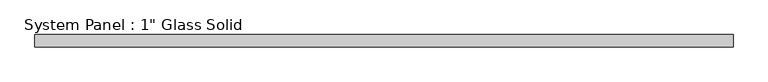
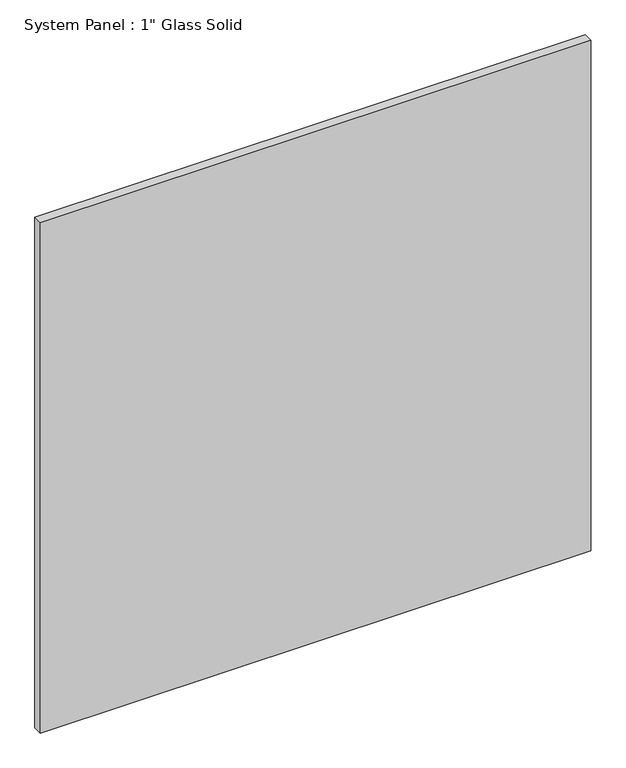
"""IFC4 building model written with IfcOpenShell, lengths in millimetres: plate geometry."""

from ifc_helpers import new_model, si_unit, origin, origin_with_axes, place, context, project, spatial, polyline, outline, extrude, source, transform, mapped, element, save


def plate_1cf8e12c(model_context):
    return source(origin(), model_context, "Body", "SweptSolid", [
        extrude(outline(polyline([(728.1342185, -12.7), (-728.1342185, -12.7), (-728.1342185, 12.7), (728.1342185, 12.7), (728.1342185, -12.7)])), origin_with_axes(), (0.0, 0.0, 1.0), 1427.4817704),
    ])


if __name__ == "__main__":
    model = new_model("IFC4")
    model_context = context("Model", 3, world=origin())
    ifc_project = project(units=[si_unit("LENGTHUNIT", "METRE", prefix="MILLI")], contexts=[model_context])
    site = spatial("IfcSite", under=ifc_project)
    building = spatial("IfcBuilding", under=site)
    placement = place(None, origin())
    plate_shape = plate_1cf8e12c(model_context)
    element("IfcPlate", 1, ObjectType="System Panel : 1\" Glass Solid", at=placement, inside=building, context=model_context, shape_type="MappedRepresentation", body=[
        mapped(plate_shape, transform((0.0, 0.0, 0.0), x_axis=(1.0, 0.0, 0.0), y_axis=(0.0, 1.0, 0.0), z_axis=(0.0, 0.0, 1.0))),
    ])
    save(model, "model.ifc")
